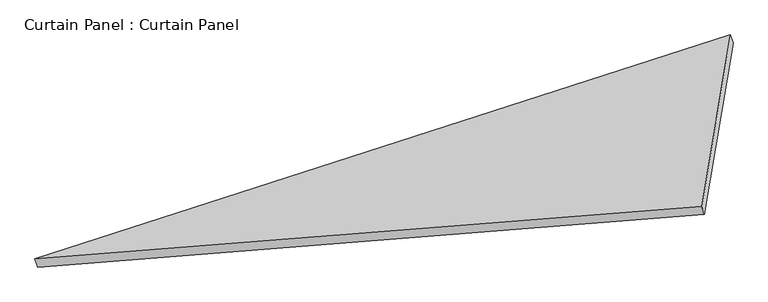
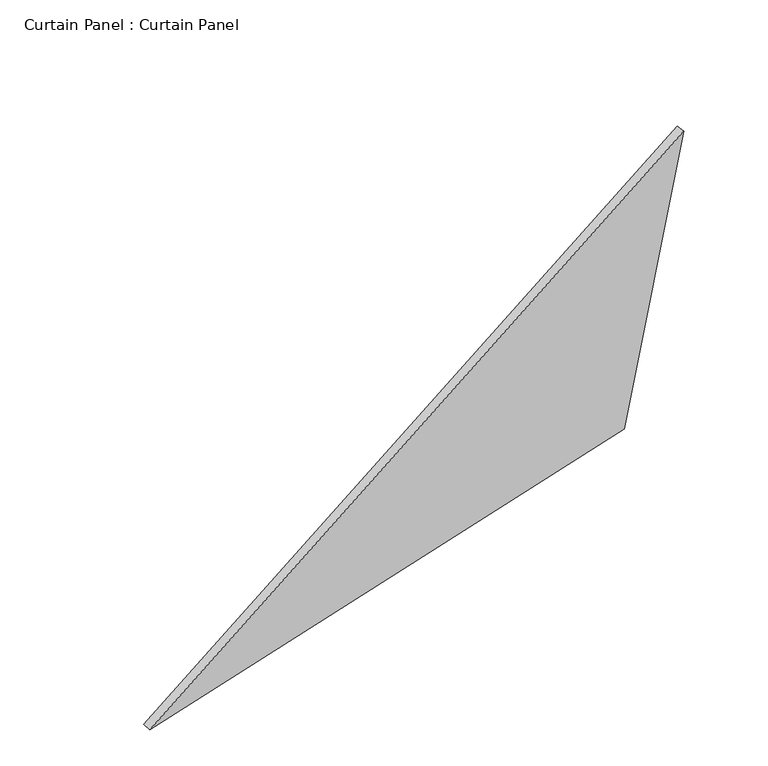
"""IFC4 building model written with IfcOpenShell, lengths in millimetres: plate geometry, Curtain Panel : Curtain Panel."""

from ifc_helpers import new_model, si_unit, frame, origin, place, context, project, spatial, polyline, outline, extrude, source, transform, mapped, element, save


def curtain_panel_curtain_panel_5fa07b78(model_context):
    return source(origin(), model_context, "Body", "SweptSolid", [
        extrude(outline(polyline([(22.1930005, 0.0), (2120.8693885, 0.0), (477.5191079, -2917.4329274), (22.1930005, 0.0)])), frame((175657.2038351, -66150.6783595, -7.2559077), z_axis=(-0.29275289296040974, 0.90752279506474, 0.3011612858605721), x_axis=(-0.05515695758202978, -0.33046357947711236, 0.9422056742927567)), (0.0, 0.0, 1.0), 36.0),
    ])


if __name__ == "__main__":
    model = new_model("IFC4")
    model_context = context("Model", 3, world=origin())
    ifc_project = project(units=[si_unit("LENGTHUNIT", "METRE", prefix="MILLI")], contexts=[model_context])
    site = spatial("IfcSite", under=ifc_project)
    building = spatial("IfcBuilding", under=site)
    placement = place(None, origin())
    curtain_panel_curtain_panel_shape = curtain_panel_curtain_panel_5fa07b78(model_context)
    element("IfcPlate", 1, ObjectType="Curtain Panel : Curtain Panel", at=placement, inside=building, context=model_context, shape_type="MappedRepresentation", body=[
        mapped(curtain_panel_curtain_panel_shape, transform((0.0, 0.0, 0.0), x_axis=(1.0, 0.0, 0.0), y_axis=(0.0, 1.0, 0.0), z_axis=(0.0, 0.0, 1.0))),
    ])
    save(model, "model.ifc")
